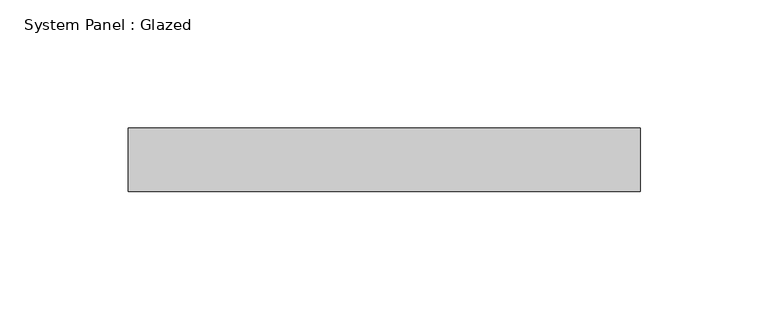
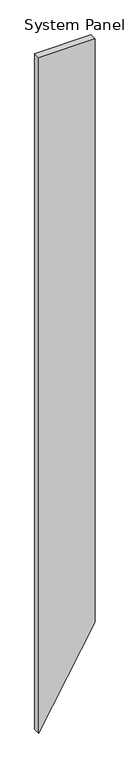
"""IFC4 building model written with IfcOpenShell, lengths in millimetres: plate geometry, System Panel : Glazed."""

import ifcopenshell
import ifcopenshell.guid

model = None  # the IFC model being written
_history = None  # IfcOwnerHistory: only IFC2X3 demands one
_inside = {}  # id of a spatial element -> (the spatial element, [elements in it])
_under = {}  # id of a project, library or spatial element -> (it, [spatial elements below it])
_declared = {}  # id of a project -> (the project, [libraries it declares])
_typed = {}  # id of a type object -> (the type object, [elements of that type])
_made_of = {}  # id of a material, layer set ... -> (it, [elements and type objects made of it])


def new_model(schema):
    """Start an empty IFC model of exactly this schema.

    Asked for "IFC4X3", IfcOpenShell would pick the latest addendum, in which some entities
    have other attributes; the version numbers below select the first issue.
    IFC2X3 requires an IfcOwnerHistory on every rooted entity: one is made here for all.
    """
    global model, _history
    if schema == "IFC4X3":
        model = ifcopenshell.file(schema_version=(4, 3, 0, 0))
    else:
        model = ifcopenshell.file(schema=schema)
    _inside.clear()
    _under.clear()
    _declared.clear()
    _typed.clear()
    _made_of.clear()
    _history = None
    if model.schema == "IFC2X3":
        org = make("IfcOrganization", Name="unknown")
        user = make(
            "IfcPersonAndOrganization",
            ThePerson=make("IfcPerson", FamilyName="unknown"),
            TheOrganization=org,
        )
        app = make(
            "IfcApplication",
            ApplicationDeveloper=org,
            Version="unknown",
            ApplicationFullName="unknown",
            ApplicationIdentifier="unknown",
        )
        _history = make(
            "IfcOwnerHistory",
            OwningUser=user,
            OwningApplication=app,
            ChangeAction="ADDED",
            CreationDate=0,
        )
    return model


def make(cls, **values):
    """One entity of the class cls with the attributes given. An attribute that is None is left unset."""
    return model.create_entity(
        cls, **{name: value for name, value in values.items() if value is not None}
    )


def rooted(cls, **values):
    """An entity with a GlobalId (a new one), such as an element, a storey or a relation."""
    return make(cls, GlobalId=ifcopenshell.guid.new(), OwnerHistory=_history, **values)


def si_unit(unit_type, name, prefix=None):
    """IfcSIUnit, for example si_unit("LENGTHUNIT", "METRE", prefix="MILLI")."""
    return make("IfcSIUnit", UnitType=unit_type, Prefix=prefix, Name=name)


def assignment(units):
    """IfcUnitAssignment: the units of a project."""
    return None if units is None else make("IfcUnitAssignment", Units=units)


def point(xyz):
    """IfcCartesianPoint."""
    return None if xyz is None else make("IfcCartesianPoint", Coordinates=xyz)


def direction(xyz):
    """IfcDirection."""
    return None if xyz is None else make("IfcDirection", DirectionRatios=xyz)


def frame(location, z_axis=None, x_axis=None):
    """IfcAxis2Placement3D, a coordinate frame: its origin and axes. An axis left out is left unset."""
    return make(
        "IfcAxis2Placement3D",
        Location=point(location),
        Axis=direction(z_axis),
        RefDirection=direction(x_axis),
    )


def origin():
    """The frame at (0, 0, 0) with its axes left unset."""
    return frame((0.0, 0.0, 0.0))


def place(relative_to, where):
    """IfcLocalPlacement: puts the frame where relative to a parent placement (None: the world)."""
    return make(
        "IfcLocalPlacement", PlacementRelTo=relative_to, RelativePlacement=where
    )


def context(
    kind, dimensions, precision=None, world=None, true_north=None, identifier=None
):
    """IfcGeometricRepresentationContext, for example the 3D "Model" context."""
    return make(
        "IfcGeometricRepresentationContext",
        ContextIdentifier=identifier,
        ContextType=kind,
        CoordinateSpaceDimension=dimensions,
        Precision=precision,
        WorldCoordinateSystem=world,
        TrueNorth=true_north,
    )


def project(units=None, contexts=None):
    """IfcProject with its units and contexts."""
    return rooted(
        "IfcProject",
        Name="project",
        RepresentationContexts=contexts,
        UnitsInContext=assignment(units),
    )


def spatial(cls, under=None, at=None, **own):
    """A site, building, storey or space (cls), placed at a placement, below another one or the project."""
    s = rooted(cls, ObjectPlacement=at, **own)
    if under is not None:
        _under.setdefault(under.id(), (under, []))[1].append(s)
    return s


def polyline(points):
    """IfcPolyline through the points."""
    return make("IfcPolyline", Points=[point(p) for p in points])


def outline(outer, holes=None, kind="AREA"):
    """IfcArbitraryClosedProfileDef: a profile drawn as a closed curve; with holes, ...WithVoids."""
    if holes is None:
        return make("IfcArbitraryClosedProfileDef", ProfileType=kind, OuterCurve=outer)
    return make(
        "IfcArbitraryProfileDefWithVoids",
        ProfileType=kind,
        OuterCurve=outer,
        InnerCurves=holes,
    )


def extrude(swept, where, along, depth):
    """IfcExtrudedAreaSolid: the profile swept, set in the frame where, extruded along a direction by depth."""
    return make(
        "IfcExtrudedAreaSolid",
        SweptArea=swept,
        Position=where,
        ExtrudedDirection=direction(along),
        Depth=depth,
    )


def shape(context_of_items, identifier, shape_type, items):
    """IfcShapeRepresentation: the items that make up one representation, for example the "Body"."""
    return make(
        "IfcShapeRepresentation",
        ContextOfItems=context_of_items,
        RepresentationIdentifier=identifier,
        RepresentationType=shape_type,
        Items=items,
    )


def source(mapping_origin, context_of_items, identifier, shape_type, items):
    """IfcRepresentationMap: a shape defined once, which mapped items show again and again."""
    return make(
        "IfcRepresentationMap",
        MappingOrigin=mapping_origin,
        MappedRepresentation=shape(context_of_items, identifier, shape_type, items),
    )


def transform(
    local_origin,
    x_axis=None,
    y_axis=None,
    z_axis=None,
    scale=None,
    scale2=None,
    scale3=None,
    uniform=True,
):
    """IfcCartesianTransformationOperator3D, or its non-uniform kind. x_axis, y_axis, z_axis: its Axis1, 2, 3."""
    if uniform:
        return make(
            "IfcCartesianTransformationOperator3D",
            Axis1=direction(x_axis),
            Axis2=direction(y_axis),
            LocalOrigin=point(local_origin),
            Scale=scale,
            Axis3=direction(z_axis),
        )
    return make(
        "IfcCartesianTransformationOperator3DnonUniform",
        Axis1=direction(x_axis),
        Axis2=direction(y_axis),
        LocalOrigin=point(local_origin),
        Scale=scale,
        Axis3=direction(z_axis),
        Scale2=scale2,
        Scale3=scale3,
    )


def mapped(mapping_source, mapping_target):
    """IfcMappedItem: shows the shape of a source again, moved by a transform."""
    return make(
        "IfcMappedItem", MappingSource=mapping_source, MappingTarget=mapping_target
    )


def made_of(thing, what):
    """Note that an element or type object is made of a material, layer set ...; save() writes the relation."""
    if what is not None:
        _made_of.setdefault(what.id(), (what, []))[1].append(thing)
    return thing


def element(
    cls,
    number,
    at=None,
    inside=None,
    cuts=None,
    type_object=None,
    material=None,
    context=None,
    identifier="Body",
    shape_type=None,
    held_by="IfcProductDefinitionShape",
    body=None,
    shapes=None,
    **own,
):
    """One element of the class cls, such as IfcWall. Its Tag is "e" and its number.

    at: its placement. inside: the storey or other place that contains it. cuts: it is an
    opening in that element (IfcRelVoidsElement). A single representation is given by context,
    identifier, shape_type and body (its items); several are given by shapes. held_by: the class
    of the entity that holds the representations. save() writes the other relations.
    """
    e = rooted(cls, Tag="e%d" % number, ObjectPlacement=at, **own)
    if body is not None:
        shapes = [shape(context, identifier, shape_type, body)]
    if shapes is not None:
        e.Representation = make(held_by, Representations=shapes)
    if inside is not None:
        _inside.setdefault(inside.id(), (inside, []))[1].append(e)
    if cuts is not None:
        rooted(
            "IfcRelVoidsElement", RelatingBuildingElement=cuts, RelatedOpeningElement=e
        )
    if type_object is not None:
        _typed.setdefault(type_object.id(), (type_object, []))[1].append(e)
    return made_of(e, material)


def aggregate(whole, parts):
    """IfcRelAggregates: a whole, such as a stair, and the parts it consists of."""
    return rooted("IfcRelAggregates", RelatingObject=whole, RelatedObjects=parts)


def save(model, path):
    """Write the relations noted so far, then the file.

    IfcRelAggregates (storeys below a building ...), IfcRelContainedInSpatialStructure (elements
    in a storey), IfcRelDefinesByType, IfcRelAssociatesMaterial and IfcRelDeclares: one each for
    every whole, place, type object, material and project.
    """
    for whole, parts in _under.values():
        aggregate(whole, parts)
    for where, things in _inside.values():
        rooted(
            "IfcRelContainedInSpatialStructure",
            RelatedElements=things,
            RelatingStructure=where,
        )
    for kind, things in _typed.values():
        rooted("IfcRelDefinesByType", RelatedObjects=things, RelatingType=kind)
    for what, things in _made_of.values():
        rooted("IfcRelAssociatesMaterial", RelatedObjects=things, RelatingMaterial=what)
    for by, libraries in _declared.values():
        rooted("IfcRelDeclares", RelatingContext=by, RelatedDefinitions=libraries)
    model.write(path)


def system_panel_glazed_51abbd5a(model_context):
    return source(origin(), model_context, "Body", "SweptSolid", [
        extrude(outline(polyline([(0.0, -100.0), (346.4101615, 100.0), (2535.8983843, 100.0), (2535.8983843, -100.0), (0.0, -100.0)])), frame((0.0, 24.5, 0.0), z_axis=(0.0, 1.0, 0.0), x_axis=(0.0, 0.0, 1.0)), (0.0, 0.0, 1.0), 25.0),
    ])


if __name__ == "__main__":
    model = new_model("IFC4")
    model_context = context("Model", 3, world=origin())
    ifc_project = project(units=[si_unit("LENGTHUNIT", "METRE", prefix="MILLI")], contexts=[model_context])
    site = spatial("IfcSite", under=ifc_project)
    building = spatial("IfcBuilding", under=site)
    placement = place(None, origin())
    system_panel_glazed_shape = system_panel_glazed_51abbd5a(model_context)
    element("IfcPlate", 1, ObjectType="System Panel : Glazed", at=placement, inside=building, context=model_context, shape_type="MappedRepresentation", body=[
        mapped(system_panel_glazed_shape, transform((0.0, 0.0, 0.0), x_axis=(1.0, 0.0, 0.0), y_axis=(0.0, 1.0, 0.0), z_axis=(0.0, 0.0, 1.0))),
    ])
    save(model, "model.ifc")
